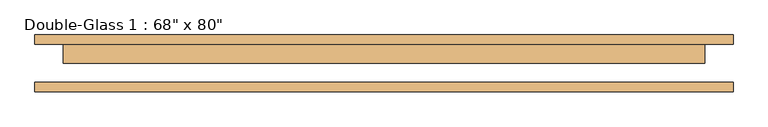
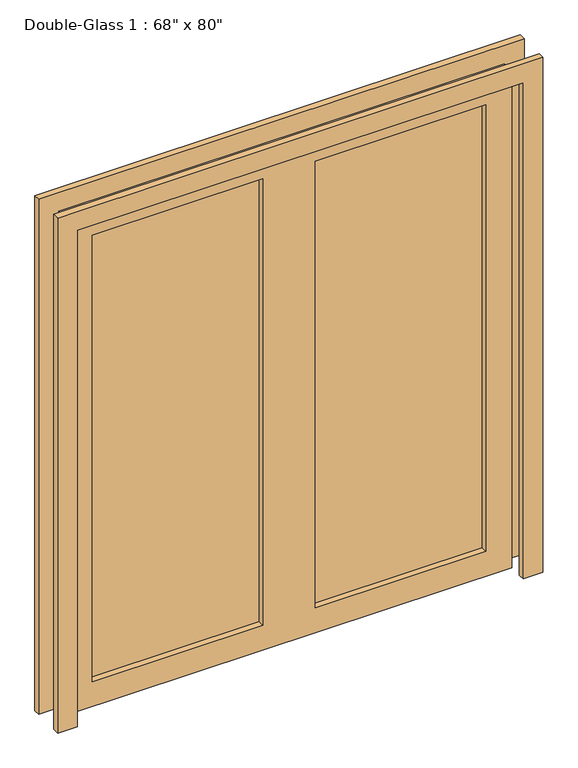
"""IFC4 building model written with IfcOpenShell, lengths in millimetres: door geometry."""

from ifc_helpers import new_model, si_unit, frame, origin, place, context, project, spatial, polyline, outline, extrude, source, transform, mapped, element, save


def door_c9f0a46b(model_context):
    return source(origin(), model_context, "Body", "SweptSolid", [
        extrude(outline(polyline([(0.0, 939.8), (2108.2, 939.8), (2108.2, -939.8), (0.0, -939.8), (0.0, -863.6), (2032.0, -863.6), (2032.0, 863.6), (0.0, 863.6), (0.0, 939.8)])), frame((0.0, -73.81875, 0.0), z_axis=(0.0, 1.0, 0.0), x_axis=(0.0, 0.0, 1.0)), (0.0, 0.0, 1.0), 25.4),
        extrude(outline(polyline([(2032.0, 863.6), (0.0, 863.6), (0.0, 939.8), (2108.2, 939.8), (2108.2, -939.8), (0.0, -939.8), (0.0, -863.6), (2032.0, -863.6), (2032.0, 863.6)])), frame((0.0, 53.18125, 0.0), z_axis=(0.0, 1.0, 0.0), x_axis=(0.0, 0.0, 1.0)), (0.0, 0.0, 1.0), 25.4),
        extrude(outline(polyline([(762.0, 27.78125), (101.6, 27.78125), (101.6, 34.925), (762.0, 34.925), (762.0, 27.78125)])), frame((0.0, 0.0, 101.6), z_axis=(0.0, 0.0, 1.0), x_axis=(1.0, 0.0, 0.0)), (0.0, 0.0, 1.0), 1828.8),
        extrude(outline(polyline([(-101.6, 27.78125), (-762.0, 27.78125), (-762.0, 34.925), (-101.6, 34.925), (-101.6, 27.78125)])), frame((0.0, 0.0, 101.6), z_axis=(0.0, 0.0, 1.0), x_axis=(1.0, 0.0, 0.0)), (0.0, 0.0, 1.0), 1828.8),
        extrude(outline(polyline([(2032.0, 863.6), (2032.0, -863.6), (0.0, -863.6), (0.0, 863.6), (2032.0, 863.6)]), holes=[polyline([(1930.4, -101.6), (101.6, -101.6), (101.6, -762.0), (1930.4, -762.0), (1930.4, -101.6)]), polyline([(1930.4, 762.0), (101.6, 762.0), (101.6, 101.6), (1930.4, 101.6), (1930.4, 762.0)])]), frame((0.0, 2.38125, 0.0), z_axis=(0.0, 1.0, 0.0), x_axis=(0.0, 0.0, 1.0)), (0.0, 0.0, 1.0), 50.8),
    ])


if __name__ == "__main__":
    model = new_model("IFC4")
    model_context = context("Model", 3, world=origin())
    ifc_project = project(units=[si_unit("LENGTHUNIT", "METRE", prefix="MILLI")], contexts=[model_context])
    site = spatial("IfcSite", under=ifc_project)
    building = spatial("IfcBuilding", under=site)
    placement = place(None, origin())
    door_shape = door_c9f0a46b(model_context)
    element("IfcDoor", 1, ObjectType="Double-Glass 1 : 68\" x 80\"", at=placement, inside=building, context=model_context, shape_type="MappedRepresentation", body=[
        mapped(door_shape, transform((0.0, 0.0, 0.0), x_axis=(1.0, 0.0, 0.0), y_axis=(0.0, 1.0, 0.0), z_axis=(0.0, 0.0, 1.0))),
    ])
    save(model, "model.ifc")
